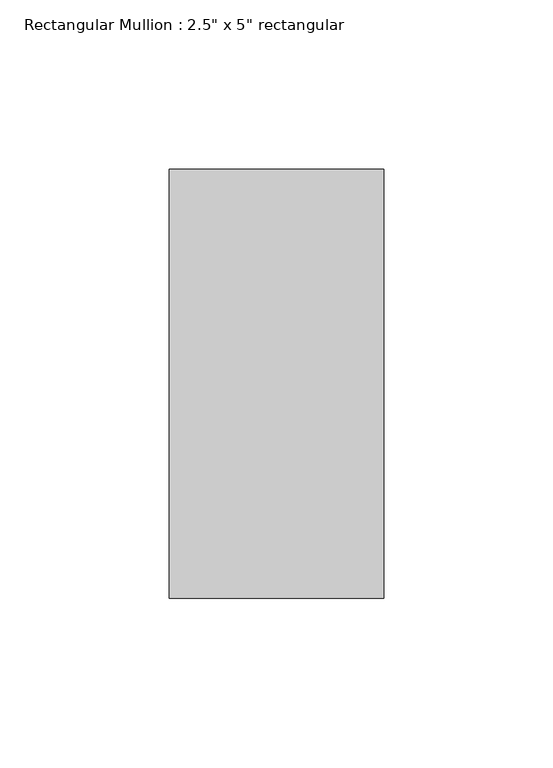
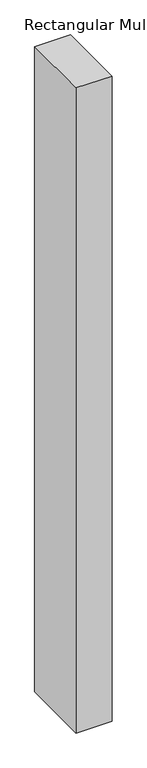
"""IFC4 building model written with IfcOpenShell, lengths in millimetres: member geometry."""

from ifc_helpers import new_model, si_unit, frame, origin, place, context, project, spatial, polyline, outline, extrude, source, transform, mapped, element, save


def member_e2a7e38a(model_context):
    return source(origin(), model_context, "Body", "SweptSolid", [
        extrude(outline(polyline([(0.0, 63.5), (0.0, -63.5), (-63.5, -63.5), (-63.5, 63.5), (0.0, 63.5)])), frame((0.0, 0.0, -1206.5), z_axis=(0.0, 0.0, 1.0), x_axis=(1.0, 0.0, 0.0)), (0.0, 0.0, 1.0), 1206.5),
    ])


if __name__ == "__main__":
    model = new_model("IFC4")
    model_context = context("Model", 3, world=origin())
    ifc_project = project(units=[si_unit("LENGTHUNIT", "METRE", prefix="MILLI")], contexts=[model_context])
    site = spatial("IfcSite", under=ifc_project)
    building = spatial("IfcBuilding", under=site)
    placement = place(None, origin())
    member_shape = member_e2a7e38a(model_context)
    element("IfcMember", 1, ObjectType="Rectangular Mullion : 2.5\" x 5\" rectangular", at=placement, inside=building, context=model_context, shape_type="MappedRepresentation", body=[
        mapped(member_shape, transform((0.0, 0.0, 0.0), x_axis=(1.0, 0.0, 0.0), y_axis=(0.0, 1.0, 0.0), z_axis=(0.0, 0.0, 1.0))),
    ])
    save(model, "model.ifc")
